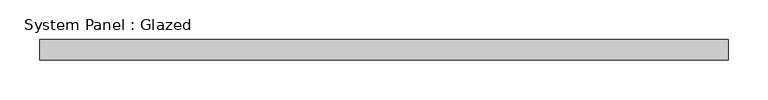
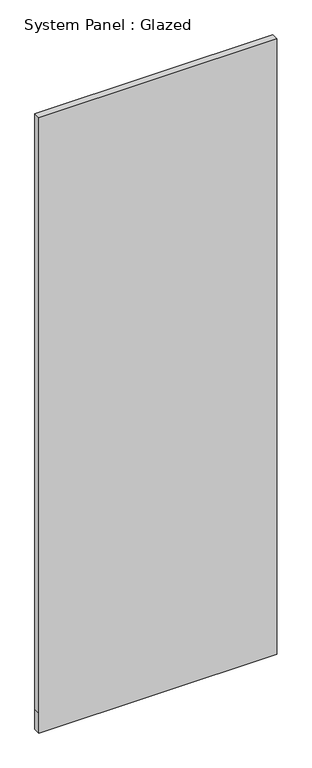
"""IFC4 building model written with IfcOpenShell, lengths in millimetres: plate geometry, System Panel : Glazed."""

from ifc_helpers import new_model, si_unit, frame, origin, place, context, project, spatial, polyline, outline, extrude, source, transform, mapped, element, save


def system_panel_glazed_a713d66c(model_context):
    return source(origin(), model_context, "Body", "SweptSolid", [
        extrude(outline(polyline([(0.0, -431.8), (0.0, 431.8), (76.2, 431.8), (2362.2, 431.8), (2362.2, -431.8), (76.2, -431.8), (0.0, -431.8)])), frame((0.0, 25.4, 0.0), z_axis=(0.0, 1.0, 0.0), x_axis=(0.0, 0.0, 1.0)), (0.0, 0.0, 1.0), 25.4),
    ])


if __name__ == "__main__":
    model = new_model("IFC4")
    model_context = context("Model", 3, world=origin())
    ifc_project = project(units=[si_unit("LENGTHUNIT", "METRE", prefix="MILLI")], contexts=[model_context])
    site = spatial("IfcSite", under=ifc_project)
    building = spatial("IfcBuilding", under=site)
    placement = place(None, origin())
    system_panel_glazed_shape = system_panel_glazed_a713d66c(model_context)
    element("IfcPlate", 1, ObjectType="System Panel : Glazed", at=placement, inside=building, context=model_context, shape_type="MappedRepresentation", body=[
        mapped(system_panel_glazed_shape, transform((0.0, 0.0, 0.0), x_axis=(1.0, 0.0, 0.0), y_axis=(0.0, 1.0, 0.0), z_axis=(0.0, 0.0, 1.0))),
    ])
    save(model, "model.ifc")
